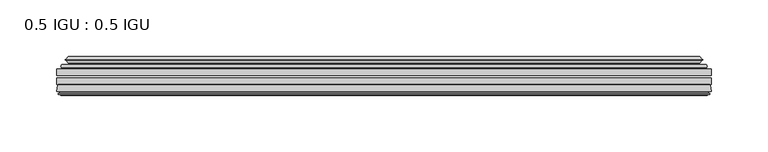
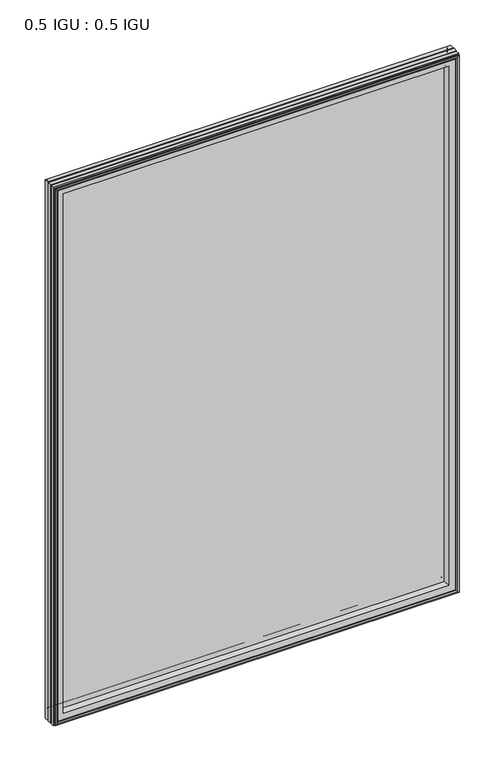
"""IFC4 building model written with IfcOpenShell, lengths in millimetres: plate geometry, 0.5 IGU : 0.5 IGU."""

from ifc_helpers import new_model, si_unit, frame, origin, place, context, project, spatial, polyline, ellipse_curve, outline, extrude, source, transform, mapped, element, save
from ifc_brep_helpers import plane_surface, cylinder_surface, revolved_surface, advanced_brep


def plate_0_5_igu_0_5_igu_3dbd80f4(model_context):
    return source(origin(), model_context, "Body", "SolidModel", [
        extrude(outline(polyline([(287.351675, -55.82285), (287.351675, -61.48705), (-287.3375, -61.48705), (-287.3375, -55.82285), (287.351675, -55.82285)])), frame((0.0, 0.0, -14.2875), z_axis=(0.0, 0.0, 1.0), x_axis=(1.0, 0.0, 0.0)), (0.0, 0.0, 1.0), 806.4537979),
        extrude(outline(polyline([(-287.3375, -69.05625), (-287.3375, -63.39205), (287.351675, -63.39205), (287.351675, -69.05625), (-287.3375, -69.05625)])), frame((0.0, 0.0, -14.2875), z_axis=(0.0, 0.0, 1.0), x_axis=(1.0, 0.0, 0.0)), (0.0, 0.0, 1.0), 806.4537979),
        advanced_brep(
        [(-283.2349626, -54.3724927, 788.0599626), (-282.1904378, -51.60645, 787.0154378), (-282.1904378, -51.60645, -9.1404378), (-283.2349626, -54.3724927, -10.1849626), (-281.598517, -55.82285, 786.423517), (-281.598517, -55.82285, -8.548517), (-273.05, -45.63745, 777.875), (-269.4672761, -55.82285, 774.2922761), (-269.4672761, -55.82285, 3.5827239), (-273.05, -45.63745, 0.0), (-278.2359109, -46.8185491, 783.0609109), (-278.2359109, -46.8185491, -5.1859109), (-277.4388893, -44.8183085, 782.2638893), (-277.4388893, -44.8183085, -4.3888893), (-279.7226111, -47.135817, 784.5476111), (-279.7226111, -47.135817, -6.6726111), (-279.7226111, -47.8489429, 784.5476111), (-279.7226111, -47.8489429, -6.6726111), (-277.4388893, -50.1664515, 782.2638893), (-277.4388893, -50.1664515, -4.3888893), (-278.2282501, -48.1854367, 783.0532501), (-278.2282501, -48.1854367, -5.1782501), (-275.7044379, -48.027045, 780.5294379), (-275.7044379, -48.027045, -2.6544379), (-274.6786217, -48.7147544, 779.5036217), (-274.6786217, -48.7147544, -1.6286217), (-274.7970288, -50.1092231, 779.6220288), (-274.7970288, -50.1092231, -1.7470288), (-275.3987748, -51.60645, 780.2237748), (-275.3987748, -51.60645, -2.3487748), (282.1904378, -51.60645, -9.1404378), (283.2349626, -54.3724927, -10.1849626), (281.598517, -55.82285, -8.548517), (269.4672761, -55.82285, 3.5827239), (273.05, -45.63745, 0.0), (278.2359109, -46.8185491, -5.1859109), (277.4388893, -44.8183085, -4.3888893), (279.7226111, -47.135817, -6.6726111), (279.7226111, -47.8489429, -6.6726111), (277.4388893, -50.1664515, -4.3888893), (278.2282501, -48.1854367, -5.1782501), (275.7044379, -48.027045, -2.6544379), (274.6786217, -48.7147544, -1.6286217), (274.7970288, -50.1092231, -1.7470288), (275.3987748, -51.60645, -2.3487748), (282.1904378, -51.60645, 787.0154378), (283.2349626, -54.3724927, 788.0599626), (281.598517, -55.82285, 786.423517), (269.4672761, -55.82285, 774.2922761), (273.05, -45.63745, 777.875), (278.2359109, -46.8185491, 783.0609109), (277.4388893, -44.8183085, 782.2638893), (279.7226111, -47.135817, 784.5476111), (279.7226111, -47.8489429, 784.5476111), (277.4388893, -50.1664515, 782.2638893), (278.2282501, -48.1854367, 783.0532501), (275.7044379, -48.027045, 780.5294379), (274.6786217, -48.7147544, 779.5036217), (274.7970288, -50.1092231, 779.6220288), (275.3987748, -51.60645, 780.2237748)],
        [
            (0, 1, ellipse_curve(frame((-282.1820703, -53.1898501, 787.0070703), z_axis=(-0.7071067811865475, 0.0, -0.7071067811865475), x_axis=(-0.7071067811865474, 0.0, 0.7071067811865476)), 2.2392971, 1.5834222)),
            (1, 2),
            (2, 3, ellipse_curve(frame((-282.1820703, -53.1898501, -9.1320703), z_axis=(-0.7071067811865475, 0.0, 0.7071067811865475), x_axis=(0.7071067811865474, 0.0, 0.7071067811865476)), 2.2392971, 1.5834222)),
            (3, 0),
            (4, 0),
            (3, 5),
            (5, 4),
            (6, 7, ellipse_curve(frame((-240.770246, -40.0058297, 745.595246), z_axis=(0.7071067811865475, 0.0, 0.7071067811865475), x_axis=(0.7071067811865474, 0.0, -0.7071067811865476)), 46.3399971, 32.7673262)),
            (7, 8),
            (8, 9, ellipse_curve(frame((-240.770246, -40.0058297, 32.279754), z_axis=(0.7071067811865475, 0.0, -0.7071067811865475), x_axis=(-0.7071067811865474, 0.0, -0.7071067811865476)), 46.3399971, 32.7673262)),
            (9, 6),
            (10, 6),
            (9, 11),
            (11, 10),
            (12, 10),
            (11, 13),
            (13, 12),
            (14, 12),
            (13, 15),
            (15, 14),
            (16, 14, ellipse_curve(frame((-279.3607729, -47.49238, 784.1857729), z_axis=(-0.7071067811865475, 0.0, -0.7071067811865475), x_axis=(-0.7071067811865474, 0.0, 0.7071067811865476)), 0.7184205, 0.508)),
            (15, 17, ellipse_curve(frame((-279.3607729, -47.49238, -6.3107729), z_axis=(-0.7071067811865475, 0.0, 0.7071067811865475), x_axis=(0.7071067811865474, 0.0, 0.7071067811865476)), 0.7184205, 0.508)),
            (17, 16),
            (18, 16),
            (17, 19),
            (19, 18),
            (20, 18),
            (19, 21),
            (21, 20),
            (22, 20),
            (21, 23),
            (23, 22),
            (24, 22, ellipse_curve(frame((-275.6408, -49.04105, 780.4658), z_axis=(0.7071067811865475, 0.0, 0.7071067811865475), x_axis=(0.7071067811865474, 0.0, -0.7071067811865476)), 1.436841, 1.016)),
            (23, 25, ellipse_curve(frame((-275.6408, -49.04105, -2.5908), z_axis=(0.7071067811865475, 0.0, -0.7071067811865475), x_axis=(-0.7071067811865474, 0.0, -0.7071067811865476)), 1.436841, 1.016)),
            (25, 24),
            (26, 24, ellipse_curve(frame((-277.0124, -49.21885, 781.8374), z_axis=(0.7071067811865475, 0.0, 0.7071067811865475), x_axis=(0.7071067811865474, 0.0, -0.7071067811865476)), 3.3765763, 2.3876)),
            (25, 27, ellipse_curve(frame((-277.0124, -49.21885, -3.9624), z_axis=(0.7071067811865475, 0.0, -0.7071067811865475), x_axis=(-0.7071067811865474, 0.0, -0.7071067811865476)), 3.3765763, 2.3876)),
            (27, 26),
            (28, 26),
            (27, 29),
            (29, 28),
            (2, 30),
            (30, 31, ellipse_curve(frame((282.1820703, -53.1898501, -9.1320703), z_axis=(-0.7071067811865475, 0.0, -0.7071067811865475), x_axis=(-0.7071067811865476, 0.0, 0.7071067811865474)), 2.2392971, 1.5834222)),
            (31, 3),
            (31, 32),
            (32, 5),
            (8, 33),
            (33, 34, ellipse_curve(frame((240.770246, -40.0058297, 32.279754), z_axis=(0.7071067811865475, 0.0, 0.7071067811865475), x_axis=(0.7071067811865476, 0.0, -0.7071067811865474)), 46.3399971, 32.7673262)),
            (34, 9),
            (34, 35),
            (35, 11),
            (35, 36),
            (36, 13),
            (36, 37),
            (37, 15),
            (37, 38, ellipse_curve(frame((279.3607729, -47.49238, -6.3107729), z_axis=(-0.7071067811865475, 0.0, -0.7071067811865475), x_axis=(-0.7071067811865476, 0.0, 0.7071067811865474)), 0.7184205, 0.508)),
            (38, 17),
            (38, 39),
            (39, 19),
            (39, 40),
            (40, 21),
            (40, 41),
            (41, 23),
            (41, 42, ellipse_curve(frame((275.6408, -49.04105, -2.5908), z_axis=(0.7071067811865475, 0.0, 0.7071067811865475), x_axis=(0.7071067811865476, 0.0, -0.7071067811865474)), 1.436841, 1.016)),
            (42, 25),
            (42, 43, ellipse_curve(frame((277.0124, -49.21885, -3.9624), z_axis=(0.7071067811865475, 0.0, 0.7071067811865475), x_axis=(0.7071067811865476, 0.0, -0.7071067811865474)), 3.3765763, 2.3876)),
            (43, 27),
            (43, 44),
            (44, 29),
            (30, 45),
            (45, 46, ellipse_curve(frame((282.1820703, -53.1898501, 787.0070703), z_axis=(0.7071067811865475, 0.0, -0.7071067811865475), x_axis=(-0.7071067811865474, 0.0, -0.7071067811865476)), 2.2392971, 1.5834222)),
            (46, 31),
            (46, 47),
            (47, 32),
            (33, 48),
            (48, 49, ellipse_curve(frame((240.770246, -40.0058297, 745.595246), z_axis=(-0.7071067811865475, 0.0, 0.7071067811865475), x_axis=(0.7071067811865474, 0.0, 0.7071067811865476)), 46.3399971, 32.7673262)),
            (49, 34),
            (49, 50),
            (50, 35),
            (50, 51),
            (51, 36),
            (51, 52),
            (52, 37),
            (52, 53, ellipse_curve(frame((279.3607729, -47.49238, 784.1857729), z_axis=(0.7071067811865475, 0.0, -0.7071067811865475), x_axis=(-0.7071067811865474, 0.0, -0.7071067811865476)), 0.7184205, 0.508)),
            (53, 38),
            (53, 54),
            (54, 39),
            (54, 55),
            (55, 40),
            (55, 56),
            (56, 41),
            (56, 57, ellipse_curve(frame((275.6408, -49.04105, 780.4658), z_axis=(-0.7071067811865475, 0.0, 0.7071067811865475), x_axis=(0.7071067811865474, 0.0, 0.7071067811865476)), 1.436841, 1.016)),
            (57, 42),
            (57, 58, ellipse_curve(frame((277.0124, -49.21885, 781.8374), z_axis=(-0.7071067811865475, 0.0, 0.7071067811865475), x_axis=(0.7071067811865474, 0.0, 0.7071067811865476)), 3.3765763, 2.3876)),
            (58, 43),
            (58, 59),
            (59, 44),
            (45, 1),
            (0, 46),
            (4, 47),
            (7, 48),
            (6, 49),
            (10, 50),
            (12, 51),
            (14, 52),
            (16, 53),
            (18, 54),
            (20, 55),
            (22, 56),
            (24, 57),
            (26, 58),
            (28, 59),
        ],
        [
            cylinder_surface(frame((-282.1820703, -53.1898501, 809.625), z_axis=(0.0, 0.0, 1.0), x_axis=(-1.0, 0.0, 0.0)), 1.5834222),
            plane_surface(frame((-283.2349626, -54.3724927, 788.0599626), z_axis=(-0.6632745773184306, -0.7483761320907135, 0.0), x_axis=(0.0, 0.0, -1.0))),
            revolved_surface(polyline([(-273.5375722, -40.0058297, -0.48757218957496207), (-273.5375722, -40.0058297, 778.362572189575)]), (-240.770246, -40.0058297, 809.625), (0.0, 0.0, -1.0)),
            plane_surface(frame((-273.05, -45.63745, 777.875), z_axis=(-0.2220649844278743, 0.975031867525902, 0.0), x_axis=(0.0, 0.0, -1.0))),
            plane_surface(frame((-278.2359109, -46.8185491, 783.0609109), z_axis=(0.9289682685630282, -0.370159365683228, 0.0), x_axis=(0.0, 0.0, -1.0))),
            plane_surface(frame((-277.4388893, -44.8183085, 782.2638893), z_axis=(-0.7122798501733507, 0.7018955869907071, 0.0), x_axis=(0.0, 0.0, -1.0))),
            cylinder_surface(frame((-279.3607729, -47.49238, 809.625), z_axis=(0.0, 0.0, 1.0), x_axis=(-1.0, 0.0, 0.0)), 0.508),
            plane_surface(frame((-279.7226111, -47.8489429, 784.5476111), z_axis=(-0.7122798501732925, -0.701895586990766, 0.0), x_axis=(0.0, 0.0, -1.0))),
            plane_surface(frame((-277.4388893, -50.1664515, 782.2638893), z_axis=(0.9289682685628707, 0.3701593656836228, 0.0), x_axis=(0.0, 0.0, -1.0))),
            plane_surface(frame((-278.2282501, -48.1854367, 783.0532501), z_axis=(0.0626357011928498, -0.9980364567169279, 0.0), x_axis=(0.0, 0.0, -1.0))),
            revolved_surface(polyline([(-276.65680000000003, -49.04105, -3.606800014586838), (-276.65680000000003, -49.04105, 781.4818000145868)]), (-275.6408, -49.04105, 809.625), (0.0, 0.0, -1.0)),
            revolved_surface(polyline([(-279.40000000000003, -49.21885, -6.3499999989237494), (-279.40000000000003, -49.21885, 784.2249999989237)]), (-277.0124, -49.21885, 809.625), (0.0, 0.0, -1.0)),
            plane_surface(frame((-274.7970288, -50.1092231, 779.6220288), z_axis=(-0.9278652925428184, 0.3729155385532094, 0.0), x_axis=(0.0, 0.0, -1.0))),
            cylinder_surface(frame((-304.8, -53.1898501, -9.1320703), z_axis=(-1.0, 0.0, 0.0), x_axis=(0.0, 0.0, -1.0)), 1.5834222),
            plane_surface(frame((-283.2349626, -54.3724927, -10.1849626), z_axis=(0.0, -0.7483761320907157, -0.6632745773184283), x_axis=(1.0, 0.0, 0.0))),
            revolved_surface(polyline([(273.537572189575, -40.0058297, -0.48757220000000245), (-273.5375721895749, -40.0058297, -0.48757220000000245)]), (-304.8, -40.0058297, 32.279754), (1.0, 0.0, 0.0)),
            plane_surface(frame((-273.05, -45.63745, 0.0), z_axis=(0.0, 0.9750318675259013, -0.22206498442787745), x_axis=(1.0, 0.0, 0.0))),
            plane_surface(frame((-278.2359109, -46.8185491, -5.1859109), z_axis=(0.0, -0.370159365683225, 0.9289682685630294), x_axis=(1.0, 0.0, 0.0))),
            plane_surface(frame((-277.4388893, -44.8183085, -4.3888893), z_axis=(0.0, 0.7018955869907048, -0.7122798501733529), x_axis=(1.0, 0.0, 0.0))),
            cylinder_surface(frame((-304.8, -47.49238, -6.3107729), z_axis=(-1.0, 0.0, 0.0), x_axis=(0.0, 0.0, -1.0)), 0.508),
            plane_surface(frame((-279.7226111, -47.8489429, -6.6726111), z_axis=(0.0, -0.7018955869907684, -0.7122798501732903), x_axis=(1.0, 0.0, 0.0))),
            plane_surface(frame((-277.4388893, -50.1664515, -4.3888893), z_axis=(0.0, 0.37015936568362584, 0.9289682685628696), x_axis=(1.0, 0.0, 0.0))),
            plane_surface(frame((-278.2282501, -48.1854367, -5.1782501), z_axis=(0.0, -0.9980364567169276, 0.06263570119285301), x_axis=(1.0, 0.0, 0.0))),
            revolved_surface(polyline([(276.65680001458696, -49.04105, -3.6068000000000002), (-276.65680001458685, -49.04105, -3.6068000000000002)]), (-304.8, -49.04105, -2.5908), (1.0, 0.0, 0.0)),
            revolved_surface(polyline([(279.39999999892376, -49.21885, -6.35), (-279.3999999989238, -49.21885, -6.35)]), (-304.8, -49.21885, -3.9624), (1.0, 0.0, 0.0)),
            plane_surface(frame((-274.7970288, -50.1092231, -1.7470288), z_axis=(0.0, 0.3729155385532064, -0.9278652925428196), x_axis=(1.0, 0.0, 0.0))),
            cylinder_surface(frame((282.1820703, -53.1898501, -31.75), z_axis=(0.0, 0.0, -1.0), x_axis=(1.0, 0.0, 0.0)), 1.5834222),
            plane_surface(frame((283.2349626, -54.3724927, -10.1849626), z_axis=(0.6632745773184259, -0.7483761320907178, 0.0), x_axis=(0.0, 0.0, 1.0))),
            revolved_surface(polyline([(273.5375722, -40.0058297, 778.362572189575), (273.5375722, -40.0058297, -0.48757218957494075)]), (240.770246, -40.0058297, -31.75), (0.0, 0.0, 1.0)),
            plane_surface(frame((273.05, -45.63745, 0.0), z_axis=(0.22206498442788056, 0.9750318675259005, 0.0), x_axis=(0.0, 0.0, 1.0))),
            plane_surface(frame((278.2359109, -46.8185491, -5.1859109), z_axis=(-0.9289682685630306, -0.370159365683222, 0.0), x_axis=(0.0, 0.0, 1.0))),
            plane_surface(frame((277.4388893, -44.8183085, -4.3888893), z_axis=(0.7122798501733552, 0.7018955869907024, 0.0), x_axis=(0.0, 0.0, 1.0))),
            cylinder_surface(frame((279.3607729, -47.49238, -31.75), z_axis=(0.0, 0.0, -1.0), x_axis=(1.0, 0.0, 0.0)), 0.508),
            plane_surface(frame((279.7226111, -47.8489429, -6.6726111), z_axis=(0.712279850173288, -0.7018955869907706, 0.0), x_axis=(0.0, 0.0, 1.0))),
            plane_surface(frame((277.4388893, -50.1664515, -4.3888893), z_axis=(-0.9289682685628684, 0.37015936568362884, 0.0), x_axis=(0.0, 0.0, 1.0))),
            plane_surface(frame((278.2282501, -48.1854367, -5.1782501), z_axis=(-0.06263570119285623, -0.9980364567169274, 0.0), x_axis=(0.0, 0.0, 1.0))),
            revolved_surface(polyline([(276.65680000000003, -49.04105, 781.4818000145868), (276.65680000000003, -49.04105, -3.606800014586863)]), (275.6408, -49.04105, -31.75), (0.0, 0.0, 1.0)),
            revolved_surface(polyline([(279.40000000000003, -49.21885, 784.2249999989237), (279.40000000000003, -49.21885, -6.349999998923781)]), (277.0124, -49.21885, -31.75), (0.0, 0.0, 1.0)),
            plane_surface(frame((274.7970288, -50.1092231, -1.7470288), z_axis=(0.9278652925428208, 0.3729155385532034, 0.0), x_axis=(0.0, 0.0, 1.0))),
            cylinder_surface(frame((304.8, -53.1898501, 787.0070703), z_axis=(1.0, 0.0, 0.0), x_axis=(0.0, 0.0, 1.0)), 1.5834222),
            plane_surface(frame((283.2349626, -54.3724927, 788.0599626), z_axis=(0.0, -0.7483761320907157, 0.6632745773184283), x_axis=(-1.0, 0.0, 0.0))),
            plane_surface(frame((281.598517, -55.82285, 786.423517), z_axis=(0.0, -1.0, 0.0), x_axis=(-1.0, 0.0, 0.0))),
            revolved_surface(polyline([(-273.537572189575, -40.0058297, 778.3625721999999), (273.5375721895749, -40.0058297, 778.3625721999999)]), (304.8, -40.0058297, 745.595246), (-1.0, 0.0, 0.0)),
            plane_surface(frame((273.05, -45.63745, 777.875), z_axis=(0.0, 0.9750318675259012, 0.22206498442787742), x_axis=(-1.0, 0.0, 0.0))),
            plane_surface(frame((278.2359109, -46.8185491, 783.0609109), z_axis=(0.0, -0.370159365683225, -0.9289682685630294), x_axis=(-1.0, 0.0, 0.0))),
            plane_surface(frame((277.4388893, -44.8183085, 782.2638893), z_axis=(0.0, 0.7018955869907048, 0.7122798501733529), x_axis=(-1.0, 0.0, 0.0))),
            cylinder_surface(frame((304.8, -47.49238, 784.1857729), z_axis=(1.0, 0.0, 0.0), x_axis=(0.0, 0.0, 1.0)), 0.508),
            plane_surface(frame((279.7226111, -47.8489429, 784.5476111), z_axis=(0.0, -0.7018955869907684, 0.7122798501732903), x_axis=(-1.0, 0.0, 0.0))),
            plane_surface(frame((277.4388893, -50.1664515, 782.2638893), z_axis=(0.0, 0.37015936568362584, -0.9289682685628696), x_axis=(-1.0, 0.0, 0.0))),
            plane_surface(frame((278.2282501, -48.1854367, 783.0532501), z_axis=(0.0, -0.9980364567169276, -0.06263570119285301), x_axis=(-1.0, 0.0, 0.0))),
            revolved_surface(polyline([(-276.65680001458696, -49.04105, 781.4817999999999), (276.65680001458685, -49.04105, 781.4817999999999)]), (304.8, -49.04105, 780.4658), (-1.0, 0.0, 0.0)),
            revolved_surface(polyline([(-279.39999999892376, -49.21885, 784.225), (279.3999999989238, -49.21885, 784.225)]), (304.8, -49.21885, 781.8374), (-1.0, 0.0, 0.0)),
            plane_surface(frame((274.7970288, -50.1092231, 779.6220288), z_axis=(0.0, 0.3729155385532064, 0.9278652925428196), x_axis=(-1.0, 0.0, 0.0))),
            plane_surface(frame((275.3987748, -51.60645, 780.2237748), z_axis=(0.0, 1.0, 0.0), x_axis=(-1.0, 0.0, 0.0))),
        ],
        [
            (0, [[1, 2, 3, 4]]),
            (1, [[5, -4, 6, 7]]),
            (2, [[8, 9, 10, 11]]),
            (3, [[12, -11, 13, 14]]),
            (4, [[15, -14, 16, 17]]),
            (5, [[18, -17, 19, 20]]),
            (6, [[21, -20, 22, 23]]),
            (7, [[24, -23, 25, 26]]),
            (8, [[27, -26, 28, 29]]),
            (9, [[30, -29, 31, 32]]),
            (10, [[33, -32, 34, 35]]),
            (11, [[36, -35, 37, 38]]),
            (12, [[39, -38, 40, 41]]),
            (13, [[-3, 42, 43, 44]]),
            (14, [[-6, -44, 45, 46]]),
            (15, [[-10, 47, 48, 49]]),
            (16, [[-13, -49, 50, 51]]),
            (17, [[-16, -51, 52, 53]]),
            (18, [[-19, -53, 54, 55]]),
            (19, [[-22, -55, 56, 57]]),
            (20, [[-25, -57, 58, 59]]),
            (21, [[-28, -59, 60, 61]]),
            (22, [[-31, -61, 62, 63]]),
            (23, [[-34, -63, 64, 65]]),
            (24, [[-37, -65, 66, 67]]),
            (25, [[-40, -67, 68, 69]]),
            (26, [[-43, 70, 71, 72]]),
            (27, [[-45, -72, 73, 74]]),
            (28, [[-48, 75, 76, 77]]),
            (29, [[-50, -77, 78, 79]]),
            (30, [[-52, -79, 80, 81]]),
            (31, [[-54, -81, 82, 83]]),
            (32, [[-56, -83, 84, 85]]),
            (33, [[-58, -85, 86, 87]]),
            (34, [[-60, -87, 88, 89]]),
            (35, [[-62, -89, 90, 91]]),
            (36, [[-64, -91, 92, 93]]),
            (37, [[-66, -93, 94, 95]]),
            (38, [[-68, -95, 96, 97]]),
            (39, [[-71, 98, -1, 99]]),
            (40, [[-73, -99, -5, 100]]),
            (41, [[-46, -74, -100, -7], [101, -75, -47, -9]]),
            (42, [[-76, -101, -8, 102]]),
            (43, [[-78, -102, -12, 103]]),
            (44, [[-80, -103, -15, 104]]),
            (45, [[-82, -104, -18, 105]]),
            (46, [[-84, -105, -21, 106]]),
            (47, [[-86, -106, -24, 107]]),
            (48, [[-88, -107, -27, 108]]),
            (49, [[-90, -108, -30, 109]]),
            (50, [[-92, -109, -33, 110]]),
            (51, [[-94, -110, -36, 111]]),
            (52, [[-96, -111, -39, 112]]),
            (53, [[-98, -70, -42, -2], [-69, -97, -112, -41]]),
        ],
    ),
        advanced_brep(
        [(-287.3502, -75.40625, 792.1752), (-286.6554162, -69.7476901, 791.4804162), (-286.6554162, -69.7476901, -13.6054162), (-287.3502, -75.40625, -14.3002), (-284.9626, -77.3973143, 789.7876), (-285.4198, -75.40625, 790.2448), (-285.4198, -75.40625, -12.3698), (-284.9626, -77.3973143, -11.9126), (-285.9639619, -77.1290001, 790.7889619), (-285.9639619, -77.1290001, -12.9139619), (-286.2072, -78.0367772, 791.0322), (-286.2072, -78.0367772, -13.1572), (-284.1752, -78.58125, 789.0002), (-284.1752, -78.58125, -11.1252), (-282.1432, -78.0367772, 786.9682), (-282.1432, -78.0367772, -9.0932), (-282.3864381, -77.1290001, 787.2114381), (-282.3864381, -77.1290001, -9.3364381), (-283.3878, -77.3973143, 788.2128), (-283.3878, -77.3973143, -10.3378), (-282.9306, -75.40625, 787.7556), (-282.9306, -75.40625, -9.8806), (-269.4605369, -69.05625, 774.2855369), (-273.05, -75.40625, 777.875), (-273.05, -75.40625, 0.0), (-269.4605369, -69.05625, 3.5894631), (-285.8738854, -69.05625, 790.6988854), (-285.8738854, -69.05625, -12.8238854), (286.6554162, -69.7476901, -13.6054162), (287.3502, -75.40625, -14.3002), (285.4198, -75.40625, -12.3698), (284.9626, -77.3973143, -11.9126), (285.9639619, -77.1290001, -12.9139619), (286.2072, -78.0367772, -13.1572), (284.1752, -78.58125, -11.1252), (282.1432, -78.0367772, -9.0932), (282.3864381, -77.1290001, -9.3364381), (283.3878, -77.3973143, -10.3378), (282.9306, -75.40625, -9.8806), (273.05, -75.40625, 0.0), (269.4605369, -69.05625, 3.5894631), (285.8738854, -69.05625, -12.8238854), (286.6554162, -69.7476901, 791.4804162), (287.3502, -75.40625, 792.1752), (285.4198, -75.40625, 790.2448), (284.9626, -77.3973143, 789.7876), (285.9639619, -77.1290001, 790.7889619), (286.2072, -78.0367772, 791.0322), (284.1752, -78.58125, 789.0002), (282.1432, -78.0367772, 786.9682), (282.3864381, -77.1290001, 787.2114381), (283.3878, -77.3973143, 788.2128), (282.9306, -75.40625, 787.7556), (273.05, -75.40625, 777.875), (269.4605369, -69.05625, 774.2855369), (285.8738854, -69.05625, 790.6988854)],
        [
            (0, 1),
            (1, 2),
            (2, 3),
            (3, 0),
            (4, 5),
            (5, 6),
            (6, 7),
            (7, 4),
            (8, 4),
            (7, 9),
            (9, 8),
            (10, 8),
            (9, 11),
            (11, 10),
            (12, 10),
            (11, 13),
            (13, 12),
            (14, 12),
            (13, 15),
            (15, 14),
            (16, 14),
            (15, 17),
            (17, 16),
            (18, 16),
            (17, 19),
            (19, 18),
            (20, 18),
            (19, 21),
            (21, 20),
            (22, 23, ellipse_curve(frame((-264.5737114, -76.0081323, 769.3987114), z_axis=(0.7071067811865475, 0.0, 0.7071067811865475), x_axis=(0.7071067811865474, 0.0, -0.7071067811865476)), 12.0174649, 8.4976309)),
            (23, 24),
            (24, 25, ellipse_curve(frame((-264.5737114, -76.0081323, 8.4762886), z_axis=(0.7071067811865475, 0.0, -0.7071067811865475), x_axis=(-0.7071067811865474, 0.0, -0.7071067811865476)), 12.0174649, 8.4976309)),
            (25, 22),
            (1, 26, ellipse_curve(frame((-285.8738854, -69.84365, 790.6988854), z_axis=(-0.7071067811865475, 0.0, -0.7071067811865475), x_axis=(-0.7071067811865474, 0.0, 0.7071067811865476)), 1.1135518, 0.7874)),
            (26, 27),
            (27, 2, ellipse_curve(frame((-285.8738854, -69.84365, -12.8238854), z_axis=(-0.7071067811865475, 0.0, 0.7071067811865475), x_axis=(0.7071067811865474, 0.0, 0.7071067811865476)), 1.1135518, 0.7874)),
            (2, 28),
            (28, 29),
            (29, 3),
            (6, 30),
            (30, 31),
            (31, 7),
            (31, 32),
            (32, 9),
            (32, 33),
            (33, 11),
            (33, 34),
            (34, 13),
            (34, 35),
            (35, 15),
            (35, 36),
            (36, 17),
            (36, 37),
            (37, 19),
            (37, 38),
            (38, 21),
            (24, 39),
            (39, 40, ellipse_curve(frame((264.5737114, -76.0081323, 8.4762886), z_axis=(0.7071067811865475, 0.0, 0.7071067811865475), x_axis=(0.7071067811865476, 0.0, -0.7071067811865474)), 12.0174649, 8.4976309)),
            (40, 25),
            (27, 41),
            (41, 28, ellipse_curve(frame((285.8738854, -69.84365, -12.8238854), z_axis=(-0.7071067811865475, 0.0, -0.7071067811865475), x_axis=(-0.7071067811865476, 0.0, 0.7071067811865474)), 1.1135518, 0.7874)),
            (28, 42),
            (42, 43),
            (43, 29),
            (30, 44),
            (44, 45),
            (45, 31),
            (45, 46),
            (46, 32),
            (46, 47),
            (47, 33),
            (47, 48),
            (48, 34),
            (48, 49),
            (49, 35),
            (49, 50),
            (50, 36),
            (50, 51),
            (51, 37),
            (51, 52),
            (52, 38),
            (39, 53),
            (53, 54, ellipse_curve(frame((264.5737114, -76.0081323, 769.3987114), z_axis=(-0.7071067811865475, 0.0, 0.7071067811865475), x_axis=(0.7071067811865474, 0.0, 0.7071067811865476)), 12.0174649, 8.4976309)),
            (54, 40),
            (41, 55),
            (55, 42, ellipse_curve(frame((285.8738854, -69.84365, 790.6988854), z_axis=(0.7071067811865475, 0.0, -0.7071067811865475), x_axis=(-0.7071067811865474, 0.0, -0.7071067811865476)), 1.1135518, 0.7874)),
            (42, 1),
            (0, 43),
            (5, 44),
            (4, 45),
            (8, 46),
            (10, 47),
            (12, 48),
            (14, 49),
            (16, 50),
            (18, 51),
            (20, 52),
            (23, 53),
            (22, 54),
            (26, 55),
        ],
        [
            plane_surface(frame((-286.6554162, -69.7476901, 791.4804162), z_axis=(-0.992546151641325, 0.12186934340512404, 0.0), x_axis=(0.0, 0.0, -1.0))),
            plane_surface(frame((-285.4198, -75.40625, 790.2448), z_axis=(-0.9746347637895902, -0.223801423616584, 0.0), x_axis=(0.0, 0.0, -1.0))),
            plane_surface(frame((-284.9626, -77.3973143, 789.7876), z_axis=(0.2588190451026526, 0.965925826289033, 0.0), x_axis=(0.0, 0.0, -1.0))),
            plane_surface(frame((-285.9639619, -77.1290001, 790.7889619), z_axis=(-0.9659258262890449, 0.2588190451026083, 0.0), x_axis=(0.0, 0.0, -1.0))),
            plane_surface(frame((-286.2072, -78.0367772, 791.0322), z_axis=(-0.2588190451024403, -0.96592582628909, 0.0), x_axis=(0.0, 0.0, -1.0))),
            plane_surface(frame((-284.1752, -78.58125, 789.0002), z_axis=(0.2588190451025434, -0.9659258262890623, 0.0), x_axis=(0.0, 0.0, -1.0))),
            plane_surface(frame((-282.1432, -78.0367772, 786.9682), z_axis=(0.9659258262891713, 0.25881904510213655, 0.0), x_axis=(0.0, 0.0, -1.0))),
            plane_surface(frame((-282.3864381, -77.1290001, 787.2114381), z_axis=(-0.25881904510234177, 0.9659258262891163, 0.0), x_axis=(0.0, 0.0, -1.0))),
            plane_surface(frame((-283.3878, -77.3973143, 788.2128), z_axis=(0.9746347637895849, -0.2238014236166074, 0.0), x_axis=(0.0, 0.0, -1.0))),
            revolved_surface(polyline([(-273.07134229999997, -76.0081323, -0.02134232346134013), (-273.07134229999997, -76.0081323, 777.8963423234613)]), (-264.5737114, -76.0081323, 809.625), (0.0, 0.0, -1.0)),
            cylinder_surface(frame((-285.8738854, -69.84365, 809.625), z_axis=(0.0, 0.0, 1.0), x_axis=(-1.0, 0.0, 0.0)), 0.7874),
            plane_surface(frame((-286.6554162, -69.7476901, -13.6054162), z_axis=(0.0, 0.12186934340512084, -0.9925461516413254), x_axis=(1.0, 0.0, 0.0))),
            plane_surface(frame((-285.4198, -75.40625, -12.3698), z_axis=(0.0, -0.22380142361658714, -0.9746347637895896), x_axis=(1.0, 0.0, 0.0))),
            plane_surface(frame((-284.9626, -77.3973143, -11.9126), z_axis=(0.0, 0.9659258262890339, 0.25881904510264947), x_axis=(1.0, 0.0, 0.0))),
            plane_surface(frame((-285.9639619, -77.1290001, -12.9139619), z_axis=(0.0, 0.25881904510260517, -0.9659258262890458), x_axis=(1.0, 0.0, 0.0))),
            plane_surface(frame((-286.2072, -78.0367772, -13.1572), z_axis=(0.0, -0.9659258262890907, -0.25881904510243714), x_axis=(1.0, 0.0, 0.0))),
            plane_surface(frame((-284.1752, -78.58125, -11.1252), z_axis=(0.0, -0.9659258262890614, 0.2588190451025465), x_axis=(1.0, 0.0, 0.0))),
            plane_surface(frame((-282.1432, -78.0367772, -9.0932), z_axis=(0.0, 0.25881904510213966, 0.9659258262891705), x_axis=(1.0, 0.0, 0.0))),
            plane_surface(frame((-282.3864381, -77.1290001, -9.3364381), z_axis=(0.0, 0.9659258262891154, -0.2588190451023449), x_axis=(1.0, 0.0, 0.0))),
            plane_surface(frame((-283.3878, -77.3973143, -10.3378), z_axis=(0.0, -0.22380142361660427, 0.9746347637895856), x_axis=(1.0, 0.0, 0.0))),
            revolved_surface(polyline([(273.07134232346135, -76.0081323, -0.02134230000000059), (-273.0713423234613, -76.0081323, -0.02134230000000059)]), (-304.8, -76.0081323, 8.4762886), (1.0, 0.0, 0.0)),
            cylinder_surface(frame((-304.8, -69.84365, -12.8238854), z_axis=(-1.0, 0.0, 0.0), x_axis=(0.0, 0.0, -1.0)), 0.7874),
            plane_surface(frame((286.6554162, -69.7476901, -13.6054162), z_axis=(0.9925461516413258, 0.12186934340511764, 0.0), x_axis=(0.0, 0.0, 1.0))),
            plane_surface(frame((285.4198, -75.40625, -12.3698), z_axis=(0.9746347637895889, -0.22380142361659028, 0.0), x_axis=(0.0, 0.0, 1.0))),
            plane_surface(frame((284.9626, -77.3973143, -11.9126), z_axis=(-0.25881904510264636, 0.9659258262890348, 0.0), x_axis=(0.0, 0.0, 1.0))),
            plane_surface(frame((285.9639619, -77.1290001, -12.9139619), z_axis=(0.9659258262890467, 0.25881904510260206, 0.0), x_axis=(0.0, 0.0, 1.0))),
            plane_surface(frame((286.2072, -78.0367772, -13.1572), z_axis=(0.25881904510243403, -0.9659258262890916, 0.0), x_axis=(0.0, 0.0, 1.0))),
            plane_surface(frame((284.1752, -78.58125, -11.1252), z_axis=(-0.25881904510254966, -0.9659258262890607, 0.0), x_axis=(0.0, 0.0, 1.0))),
            plane_surface(frame((282.1432, -78.0367772, -9.0932), z_axis=(-0.9659258262891696, 0.25881904510214276, 0.0), x_axis=(0.0, 0.0, 1.0))),
            plane_surface(frame((282.3864381, -77.1290001, -9.3364381), z_axis=(0.25881904510234804, 0.9659258262891146, 0.0), x_axis=(0.0, 0.0, 1.0))),
            plane_surface(frame((283.3878, -77.3973143, -10.3378), z_axis=(-0.9746347637895864, -0.22380142361660116, 0.0), x_axis=(0.0, 0.0, 1.0))),
            revolved_surface(polyline([(273.07134229999997, -76.0081323, 777.8963423234613), (273.07134229999997, -76.0081323, -0.021342323461311707)]), (264.5737114, -76.0081323, -31.75), (0.0, 0.0, 1.0)),
            cylinder_surface(frame((285.8738854, -69.84365, -31.75), z_axis=(0.0, 0.0, -1.0), x_axis=(1.0, 0.0, 0.0)), 0.7874),
            plane_surface(frame((286.6554162, -69.7476901, 791.4804162), z_axis=(0.0, 0.12186934340512083, 0.9925461516413253), x_axis=(-1.0, 0.0, 0.0))),
            plane_surface(frame((287.3502, -75.40625, 792.1752), z_axis=(0.0, -1.0, 0.0), x_axis=(-1.0, 0.0, 0.0))),
            plane_surface(frame((285.4198, -75.40625, 790.2448), z_axis=(0.0, -0.22380142361658714, 0.9746347637895896), x_axis=(-1.0, 0.0, 0.0))),
            plane_surface(frame((284.9626, -77.3973143, 789.7876), z_axis=(0.0, 0.9659258262890339, -0.25881904510264947), x_axis=(-1.0, 0.0, 0.0))),
            plane_surface(frame((285.9639619, -77.1290001, 790.7889619), z_axis=(0.0, 0.25881904510260517, 0.9659258262890458), x_axis=(-1.0, 0.0, 0.0))),
            plane_surface(frame((286.2072, -78.0367772, 791.0322), z_axis=(0.0, -0.9659258262890907, 0.25881904510243714), x_axis=(-1.0, 0.0, 0.0))),
            plane_surface(frame((284.1752, -78.58125, 789.0002), z_axis=(0.0, -0.9659258262890614, -0.25881904510254655), x_axis=(-1.0, 0.0, 0.0))),
            plane_surface(frame((282.1432, -78.0367772, 786.9682), z_axis=(0.0, 0.25881904510213966, -0.9659258262891705), x_axis=(-1.0, 0.0, 0.0))),
            plane_surface(frame((282.3864381, -77.1290001, 787.2114381), z_axis=(0.0, 0.9659258262891155, 0.25881904510234494), x_axis=(-1.0, 0.0, 0.0))),
            plane_surface(frame((283.3878, -77.3973143, 788.2128), z_axis=(0.0, -0.2238014236166043, -0.9746347637895857), x_axis=(-1.0, 0.0, 0.0))),
            plane_surface(frame((282.9306, -75.40625, 787.7556), z_axis=(0.0, -1.0, 0.0), x_axis=(-1.0, 0.0, 0.0))),
            revolved_surface(polyline([(-273.07134232346135, -76.0081323, 777.8963423), (273.0713423234613, -76.0081323, 777.8963423)]), (304.8, -76.0081323, 769.3987114), (-1.0, 0.0, 0.0)),
            plane_surface(frame((269.4605369, -69.05625, 774.2855369), z_axis=(0.0, 1.0, 0.0), x_axis=(-1.0, 0.0, 0.0))),
            cylinder_surface(frame((304.8, -69.84365, 790.6988854), z_axis=(1.0, 0.0, 0.0), x_axis=(0.0, 0.0, 1.0)), 0.7874),
        ],
        [
            (0, [[1, 2, 3, 4]]),
            (1, [[5, 6, 7, 8]]),
            (2, [[9, -8, 10, 11]]),
            (3, [[12, -11, 13, 14]]),
            (4, [[15, -14, 16, 17]]),
            (5, [[18, -17, 19, 20]]),
            (6, [[21, -20, 22, 23]]),
            (7, [[24, -23, 25, 26]]),
            (8, [[27, -26, 28, 29]]),
            (9, [[30, 31, 32, 33]]),
            (10, [[34, 35, 36, -2]]),
            (11, [[-3, 37, 38, 39]]),
            (12, [[-7, 40, 41, 42]]),
            (13, [[-10, -42, 43, 44]]),
            (14, [[-13, -44, 45, 46]]),
            (15, [[-16, -46, 47, 48]]),
            (16, [[-19, -48, 49, 50]]),
            (17, [[-22, -50, 51, 52]]),
            (18, [[-25, -52, 53, 54]]),
            (19, [[-28, -54, 55, 56]]),
            (20, [[-32, 57, 58, 59]]),
            (21, [[-36, 60, 61, -37]]),
            (22, [[-38, 62, 63, 64]]),
            (23, [[-41, 65, 66, 67]]),
            (24, [[-43, -67, 68, 69]]),
            (25, [[-45, -69, 70, 71]]),
            (26, [[-47, -71, 72, 73]]),
            (27, [[-49, -73, 74, 75]]),
            (28, [[-51, -75, 76, 77]]),
            (29, [[-53, -77, 78, 79]]),
            (30, [[-55, -79, 80, 81]]),
            (31, [[-58, 82, 83, 84]]),
            (32, [[-61, 85, 86, -62]]),
            (33, [[-63, 87, -1, 88]]),
            (34, [[-39, -64, -88, -4], [89, -65, -40, -6]]),
            (35, [[-66, -89, -5, 90]]),
            (36, [[-68, -90, -9, 91]]),
            (37, [[-70, -91, -12, 92]]),
            (38, [[-72, -92, -15, 93]]),
            (39, [[-74, -93, -18, 94]]),
            (40, [[-76, -94, -21, 95]]),
            (41, [[-78, -95, -24, 96]]),
            (42, [[-80, -96, -27, 97]]),
            (43, [[-56, -81, -97, -29], [98, -82, -57, -31]]),
            (44, [[-83, -98, -30, 99]]),
            (45, [[100, -85, -60, -35], [-59, -84, -99, -33]]),
            (46, [[-86, -100, -34, -87]]),
        ],
    ),
    ])


if __name__ == "__main__":
    model = new_model("IFC4")
    model_context = context("Model", 3, world=origin())
    ifc_project = project(units=[si_unit("LENGTHUNIT", "METRE", prefix="MILLI")], contexts=[model_context])
    site = spatial("IfcSite", under=ifc_project)
    building = spatial("IfcBuilding", under=site)
    placement = place(None, origin())
    plate_0_5_igu_0_5_igu_shape = plate_0_5_igu_0_5_igu_3dbd80f4(model_context)
    element("IfcPlate", 1, ObjectType="0.5 IGU : 0.5 IGU", at=placement, inside=building, context=model_context, shape_type="MappedRepresentation", body=[
        mapped(plate_0_5_igu_0_5_igu_shape, transform((0.0, 0.0, 0.0), x_axis=(1.0, 0.0, 0.0), y_axis=(0.0, 1.0, 0.0), z_axis=(0.0, 0.0, 1.0))),
    ])
    save(model, "model.ifc")
